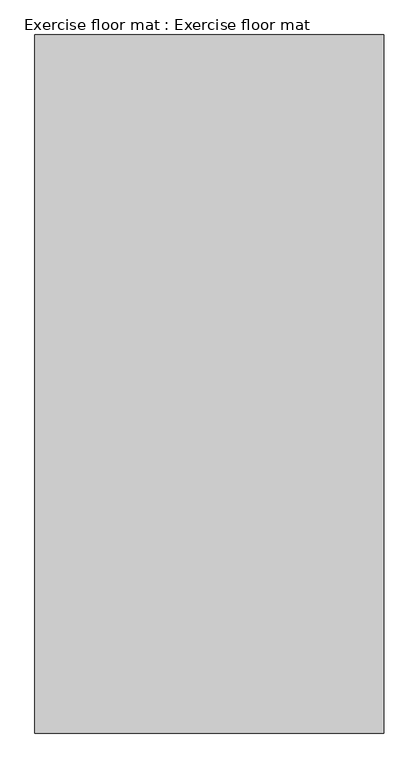
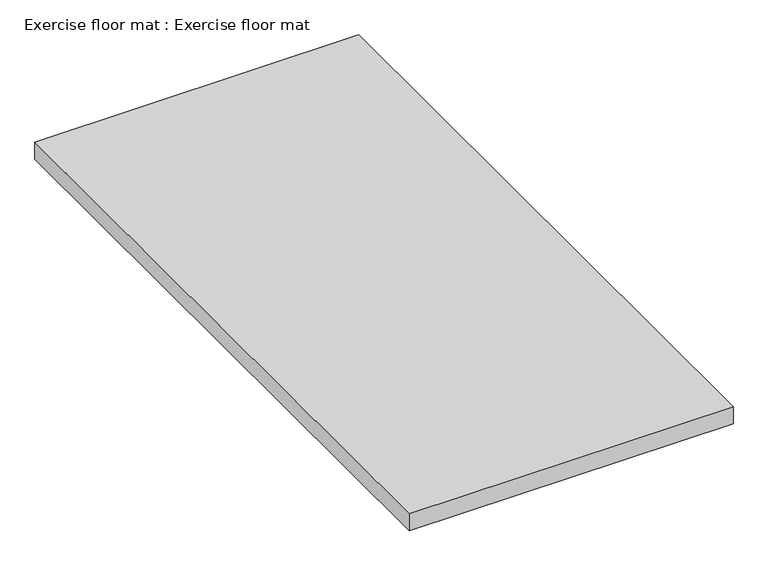
"""IFC4 building model written with IfcOpenShell, lengths in millimetres: proxy geometry, Exercise floor mat : Exercise floor mat."""

from ifc_helpers import new_model, si_unit, origin, origin_with_axes, place, context, project, spatial, polyline, outline, extrude, source, transform, mapped, element, save


def exercise_floor_mat_exercise_floor_mat_77257592(model_context):
    return source(origin(), model_context, "Body", "SweptSolid", [
        extrude(outline(polyline([(914.4, 0.0), (914.4, -1828.8), (0.0, -1828.8), (0.0, 0.0), (914.4, 0.0)])), origin_with_axes(), (0.0, 0.0, 1.0), 50.8),
    ])


if __name__ == "__main__":
    model = new_model("IFC4")
    model_context = context("Model", 3, world=origin())
    ifc_project = project(units=[si_unit("LENGTHUNIT", "METRE", prefix="MILLI")], contexts=[model_context])
    site = spatial("IfcSite", under=ifc_project)
    building = spatial("IfcBuilding", under=site)
    placement = place(None, origin())
    exercise_floor_mat_exercise_floor_mat_shape = exercise_floor_mat_exercise_floor_mat_77257592(model_context)
    element("IfcBuildingElementProxy", 1, Name="Exercise floor mat : Exercise floor mat", ObjectType="Exercise floor mat : Exercise floor mat", at=placement, inside=building, context=model_context, shape_type="MappedRepresentation", body=[
        mapped(exercise_floor_mat_exercise_floor_mat_shape, transform((0.0, 0.0, 0.0), x_axis=(1.0, 0.0, 0.0), y_axis=(0.0, 1.0, 0.0), z_axis=(0.0, 0.0, 1.0))),
    ])
    save(model, "model.ifc")
